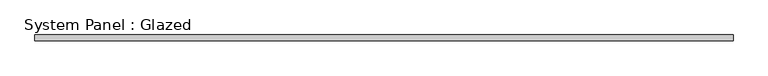
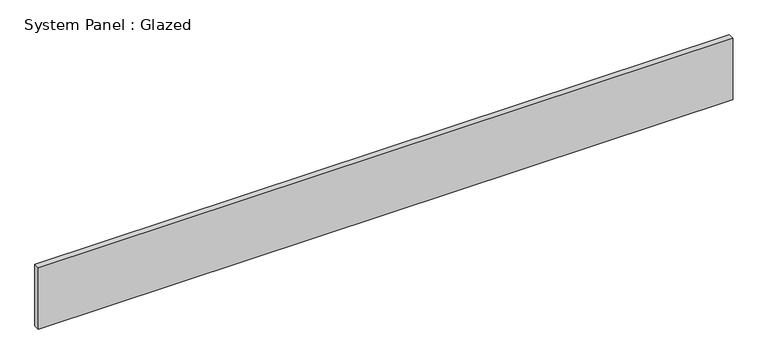
"""IFC4 building model written with IfcOpenShell, lengths in millimetres: plate geometry, System Panel : Glazed."""

from ifc_helpers import new_model, si_unit, origin, origin_with_axes, place, context, project, spatial, polyline, outline, extrude, source, transform, mapped, element, save


def system_panel_glazed_d0398900(model_context):
    return source(origin(), model_context, "Body", "SweptSolid", [
        extrude(outline(polyline([(1466.85, 19.05), (-1466.85, 19.05), (-1466.85, 44.45), (1466.85, 44.45), (1466.85, 19.05)])), origin_with_axes(), (0.0, 0.0, 1.0), 273.05),
    ])


if __name__ == "__main__":
    model = new_model("IFC4")
    model_context = context("Model", 3, world=origin())
    ifc_project = project(units=[si_unit("LENGTHUNIT", "METRE", prefix="MILLI")], contexts=[model_context])
    site = spatial("IfcSite", under=ifc_project)
    building = spatial("IfcBuilding", under=site)
    placement = place(None, origin())
    system_panel_glazed_shape = system_panel_glazed_d0398900(model_context)
    element("IfcPlate", 1, ObjectType="System Panel : Glazed", at=placement, inside=building, context=model_context, shape_type="MappedRepresentation", body=[
        mapped(system_panel_glazed_shape, transform((0.0, 0.0, 0.0), x_axis=(1.0, 0.0, 0.0), y_axis=(0.0, 1.0, 0.0), z_axis=(0.0, 0.0, 1.0))),
    ])
    save(model, "model.ifc")
